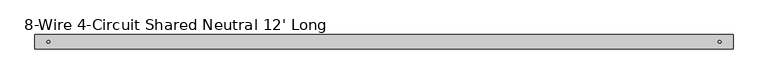
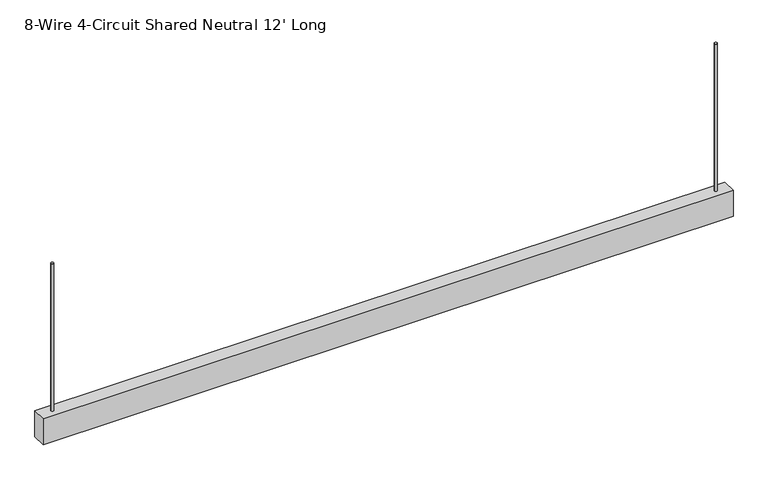
"""IFC4 building model written with IfcOpenShell, lengths in millimetres: furniture geometry, 8-Wire 4-Circuit Shared Neutral 12' Long."""

from ifc_helpers import new_model, si_unit, point, frame, frame_2d, origin, place, context, project, spatial, polyline, circle_curve, trimmed, segment, composite_curve, outline, extrude, source, transform, mapped, element, save


def furniture_8_wire_4_circuit_shared_neutral_12_long_6b22151e(model_context):
    return source(origin(), model_context, "Body", "SweptSolid", [
        extrude(outline(composite_curve([segment(trimmed(circle_curve(frame_2d((595.2998, 0.0)), 2.54), [point((597.8398, 0.0))], [point((592.7598, 0.0))], False, "CARTESIAN"), True, "CONTINUOUS"), segment(trimmed(circle_curve(frame_2d((595.2998, 0.0)), 2.54), [point((592.7598, 0.0))], [point((597.8398, 0.0))], False, "CARTESIAN"), True, "CONTINUOUS")], self_intersect=False)), frame((0.0, 0.0, 1751.0252), z_axis=(0.0, 0.0, 1.0), x_axis=(1.0, 0.0, 0.0)), (0.0, 0.0, 1.0), 279.4),
        extrude(outline(composite_curve([segment(trimmed(circle_curve(frame_2d((-595.2998, 0.0)), 2.54), [point((-597.8398, 0.0))], [point((-592.7598, 0.0))], False, "CARTESIAN"), True, "CONTINUOUS"), segment(trimmed(circle_curve(frame_2d((-595.2998, 0.0)), 2.54), [point((-592.7598, 0.0))], [point((-597.8398, 0.0))], False, "CARTESIAN"), True, "CONTINUOUS")], self_intersect=False)), frame((0.0, 0.0, 1751.0252), z_axis=(0.0, 0.0, 1.0), x_axis=(1.0, 0.0, 0.0)), (0.0, 0.0, 1.0), 279.4),
        extrude(outline(polyline([(-619.125, -12.7), (-619.125, 12.7), (619.125, 12.7), (619.125, -12.7), (-619.125, -12.7)])), frame((0.0, 0.0, 1701.8), z_axis=(0.0, 0.0, 1.0), x_axis=(1.0, 0.0, 0.0)), (0.0, 0.0, 1.0), 49.2252),
    ])


if __name__ == "__main__":
    model = new_model("IFC4")
    model_context = context("Model", 3, world=origin())
    ifc_project = project(units=[si_unit("LENGTHUNIT", "METRE", prefix="MILLI")], contexts=[model_context])
    site = spatial("IfcSite", under=ifc_project)
    building = spatial("IfcBuilding", under=site)
    placement = place(None, origin())
    furniture_8_wire_4_circuit_shared_neutral_12_long_shape = furniture_8_wire_4_circuit_shared_neutral_12_long_6b22151e(model_context)
    element("IfcFurniture", 1, ObjectType="8-Wire 4-Circuit Shared Neutral 12' Long", at=placement, inside=building, context=model_context, shape_type="MappedRepresentation", body=[
        mapped(furniture_8_wire_4_circuit_shared_neutral_12_long_shape, transform((0.0, 0.0, 0.0), x_axis=(1.0, 0.0, 0.0), y_axis=(0.0, 1.0, 0.0), z_axis=(0.0, 0.0, 1.0))),
    ])
    save(model, "model.ifc")
